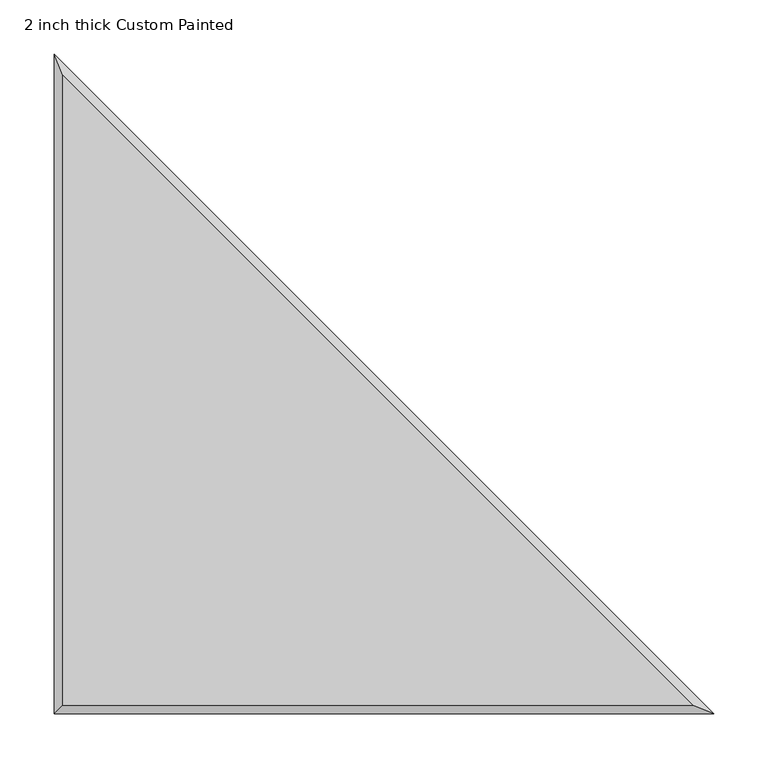
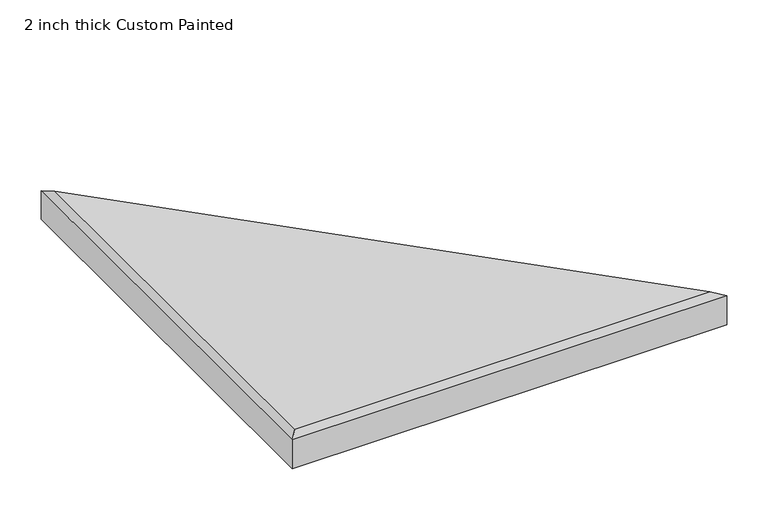
"""IFC4 building model written with IfcOpenShell, lengths in millimetres: proxy geometry, 2 inch thick Custom Painted."""

from ifc_helpers import new_model, si_unit, origin, place, context, project, spatial, faceted_brep, source, transform, mapped, element, save


def proxy_2_inch_thick_custom_painted_db9027a3(model_context):
    return source(origin(), model_context, "Body", "Brep", [
        faceted_brep([(8.001, 8.001, 50.8), (590.2838773, 8.001, 50.8), (8.001, 590.2838773, 50.8), (0.0, 609.6, 0.0), (609.6, 0.0, 0.0), (0.0, 0.0, 0.0), (0.0, 0.0, 42.799), (0.0, 609.6, 42.799), (609.6, 0.0, 42.799)], [[[0, 1, 2]], [[3, 4, 5]], [[3, 5, 6, 7]], [[5, 4, 8, 6]], [[4, 3, 7, 8]], [[8, 1, 0, 6]], [[1, 8, 7, 2]], [[6, 0, 2, 7]]]),
    ])


if __name__ == "__main__":
    model = new_model("IFC4")
    model_context = context("Model", 3, world=origin())
    ifc_project = project(units=[si_unit("LENGTHUNIT", "METRE", prefix="MILLI")], contexts=[model_context])
    site = spatial("IfcSite", under=ifc_project)
    building = spatial("IfcBuilding", under=site)
    placement = place(None, origin())
    proxy_2_inch_thick_custom_painted_shape = proxy_2_inch_thick_custom_painted_db9027a3(model_context)
    element("IfcBuildingElementProxy", 1, Name="2 inch thick Custom Painted", ObjectType="2 inch thick Custom Painted", at=placement, inside=building, context=model_context, shape_type="MappedRepresentation", body=[
        mapped(proxy_2_inch_thick_custom_painted_shape, transform((0.0, 0.0, 0.0), x_axis=(1.0, 0.0, 0.0), y_axis=(0.0, 1.0, 0.0), z_axis=(0.0, 0.0, 1.0))),
    ])
    save(model, "model.ifc")
